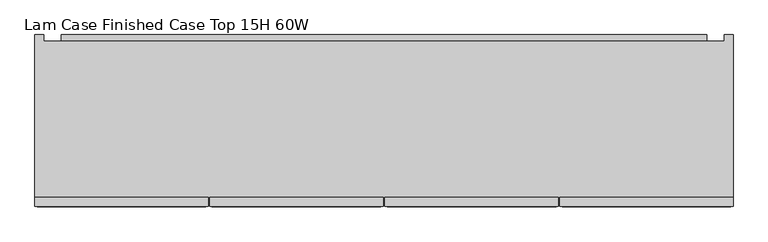
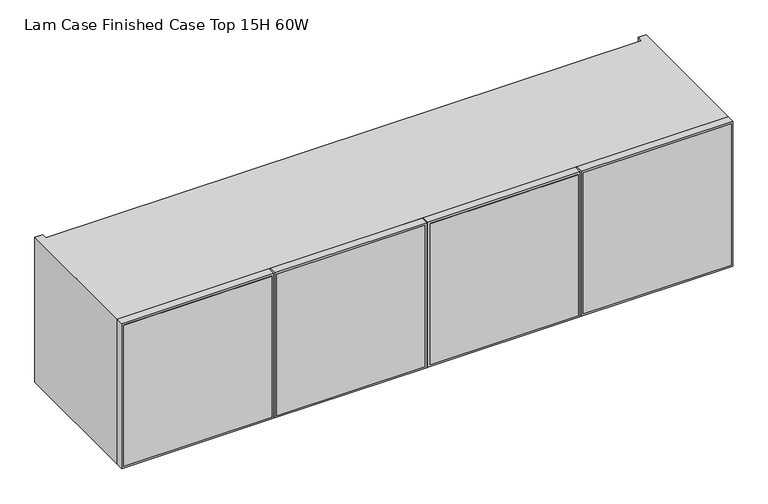
"""IFC4 building model written with IfcOpenShell, lengths in millimetres: furniture geometry, Lam Case Finished Case Top 15H 60W."""

import ifcopenshell
import ifcopenshell.guid

model = None  # the IFC model being written
_history = None  # IfcOwnerHistory: only IFC2X3 demands one
_inside = {}  # id of a spatial element -> (the spatial element, [elements in it])
_under = {}  # id of a project, library or spatial element -> (it, [spatial elements below it])
_declared = {}  # id of a project -> (the project, [libraries it declares])
_typed = {}  # id of a type object -> (the type object, [elements of that type])
_made_of = {}  # id of a material, layer set ... -> (it, [elements and type objects made of it])


def new_model(schema):
    """Start an empty IFC model of exactly this schema.

    Asked for "IFC4X3", IfcOpenShell would pick the latest addendum, in which some entities
    have other attributes; the version numbers below select the first issue.
    IFC2X3 requires an IfcOwnerHistory on every rooted entity: one is made here for all.
    """
    global model, _history
    if schema == "IFC4X3":
        model = ifcopenshell.file(schema_version=(4, 3, 0, 0))
    else:
        model = ifcopenshell.file(schema=schema)
    _inside.clear()
    _under.clear()
    _declared.clear()
    _typed.clear()
    _made_of.clear()
    _history = None
    if model.schema == "IFC2X3":
        org = make("IfcOrganization", Name="unknown")
        user = make(
            "IfcPersonAndOrganization",
            ThePerson=make("IfcPerson", FamilyName="unknown"),
            TheOrganization=org,
        )
        app = make(
            "IfcApplication",
            ApplicationDeveloper=org,
            Version="unknown",
            ApplicationFullName="unknown",
            ApplicationIdentifier="unknown",
        )
        _history = make(
            "IfcOwnerHistory",
            OwningUser=user,
            OwningApplication=app,
            ChangeAction="ADDED",
            CreationDate=0,
        )
    return model


def make(cls, **values):
    """One entity of the class cls with the attributes given. An attribute that is None is left unset."""
    return model.create_entity(
        cls, **{name: value for name, value in values.items() if value is not None}
    )


def rooted(cls, **values):
    """An entity with a GlobalId (a new one), such as an element, a storey or a relation."""
    return make(cls, GlobalId=ifcopenshell.guid.new(), OwnerHistory=_history, **values)


def si_unit(unit_type, name, prefix=None):
    """IfcSIUnit, for example si_unit("LENGTHUNIT", "METRE", prefix="MILLI")."""
    return make("IfcSIUnit", UnitType=unit_type, Prefix=prefix, Name=name)


def assignment(units):
    """IfcUnitAssignment: the units of a project."""
    return None if units is None else make("IfcUnitAssignment", Units=units)


def point(xyz):
    """IfcCartesianPoint."""
    return None if xyz is None else make("IfcCartesianPoint", Coordinates=xyz)


def direction(xyz):
    """IfcDirection."""
    return None if xyz is None else make("IfcDirection", DirectionRatios=xyz)


def frame(location, z_axis=None, x_axis=None):
    """IfcAxis2Placement3D, a coordinate frame: its origin and axes. An axis left out is left unset."""
    return make(
        "IfcAxis2Placement3D",
        Location=point(location),
        Axis=direction(z_axis),
        RefDirection=direction(x_axis),
    )


def origin():
    """The frame at (0, 0, 0) with its axes left unset."""
    return frame((0.0, 0.0, 0.0))


def place(relative_to, where):
    """IfcLocalPlacement: puts the frame where relative to a parent placement (None: the world)."""
    return make(
        "IfcLocalPlacement", PlacementRelTo=relative_to, RelativePlacement=where
    )


def context(
    kind, dimensions, precision=None, world=None, true_north=None, identifier=None
):
    """IfcGeometricRepresentationContext, for example the 3D "Model" context."""
    return make(
        "IfcGeometricRepresentationContext",
        ContextIdentifier=identifier,
        ContextType=kind,
        CoordinateSpaceDimension=dimensions,
        Precision=precision,
        WorldCoordinateSystem=world,
        TrueNorth=true_north,
    )


def project(units=None, contexts=None):
    """IfcProject with its units and contexts."""
    return rooted(
        "IfcProject",
        Name="project",
        RepresentationContexts=contexts,
        UnitsInContext=assignment(units),
    )


def spatial(cls, under=None, at=None, **own):
    """A site, building, storey or space (cls), placed at a placement, below another one or the project."""
    s = rooted(cls, ObjectPlacement=at, **own)
    if under is not None:
        _under.setdefault(under.id(), (under, []))[1].append(s)
    return s


def polyline(points):
    """IfcPolyline through the points."""
    return make("IfcPolyline", Points=[point(p) for p in points])


def outline(outer, holes=None, kind="AREA"):
    """IfcArbitraryClosedProfileDef: a profile drawn as a closed curve; with holes, ...WithVoids."""
    if holes is None:
        return make("IfcArbitraryClosedProfileDef", ProfileType=kind, OuterCurve=outer)
    return make(
        "IfcArbitraryProfileDefWithVoids",
        ProfileType=kind,
        OuterCurve=outer,
        InnerCurves=holes,
    )


def extrude(swept, where, along, depth):
    """IfcExtrudedAreaSolid: the profile swept, set in the frame where, extruded along a direction by depth."""
    return make(
        "IfcExtrudedAreaSolid",
        SweptArea=swept,
        Position=where,
        ExtrudedDirection=direction(along),
        Depth=depth,
    )


def faces_of(points, faces, orient=None, outer=None):
    """IfcFace entities. A face is a list of loops; a loop is a list of indices into points, from 0.

    orient and outer hold one flag for each loop. By default every Orientation is true, the
    first loop of a face is its IfcFaceOuterBound and the others are IfcFaceBound.
    """
    made = []
    for i, loops in enumerate(faces):
        bounds = []
        for j, loop in enumerate(loops):
            is_outer = j == 0 if outer is None else outer[i][j]
            bounds.append(
                make(
                    "IfcFaceOuterBound" if is_outer else "IfcFaceBound",
                    Bound=make("IfcPolyLoop", Polygon=[points[k] for k in loop]),
                    Orientation=True if orient is None else orient[i][j],
                )
            )
        made.append(make("IfcFace", Bounds=bounds))
    return made


def faceted_brep(points, faces, orient=None, outer=None, voids=None):
    """IfcFacetedBrep: a solid bounded by flat faces; with voids (closed shells), ...WithVoids."""
    shared = [point(p) for p in points]
    hull = make("IfcClosedShell", CfsFaces=faces_of(shared, faces, orient, outer))
    if voids is None:
        return make("IfcFacetedBrep", Outer=hull)
    return make(
        "IfcFacetedBrepWithVoids",
        Outer=hull,
        Voids=[
            make(cls, CfsFaces=faces_of(shared, fs, o, b)) for cls, fs, o, b in voids
        ],
    )


def shape(context_of_items, identifier, shape_type, items):
    """IfcShapeRepresentation: the items that make up one representation, for example the "Body"."""
    return make(
        "IfcShapeRepresentation",
        ContextOfItems=context_of_items,
        RepresentationIdentifier=identifier,
        RepresentationType=shape_type,
        Items=items,
    )


def source(mapping_origin, context_of_items, identifier, shape_type, items):
    """IfcRepresentationMap: a shape defined once, which mapped items show again and again."""
    return make(
        "IfcRepresentationMap",
        MappingOrigin=mapping_origin,
        MappedRepresentation=shape(context_of_items, identifier, shape_type, items),
    )


def transform(
    local_origin,
    x_axis=None,
    y_axis=None,
    z_axis=None,
    scale=None,
    scale2=None,
    scale3=None,
    uniform=True,
):
    """IfcCartesianTransformationOperator3D, or its non-uniform kind. x_axis, y_axis, z_axis: its Axis1, 2, 3."""
    if uniform:
        return make(
            "IfcCartesianTransformationOperator3D",
            Axis1=direction(x_axis),
            Axis2=direction(y_axis),
            LocalOrigin=point(local_origin),
            Scale=scale,
            Axis3=direction(z_axis),
        )
    return make(
        "IfcCartesianTransformationOperator3DnonUniform",
        Axis1=direction(x_axis),
        Axis2=direction(y_axis),
        LocalOrigin=point(local_origin),
        Scale=scale,
        Axis3=direction(z_axis),
        Scale2=scale2,
        Scale3=scale3,
    )


def mapped(mapping_source, mapping_target):
    """IfcMappedItem: shows the shape of a source again, moved by a transform."""
    return make(
        "IfcMappedItem", MappingSource=mapping_source, MappingTarget=mapping_target
    )


def made_of(thing, what):
    """Note that an element or type object is made of a material, layer set ...; save() writes the relation."""
    if what is not None:
        _made_of.setdefault(what.id(), (what, []))[1].append(thing)
    return thing


def element(
    cls,
    number,
    at=None,
    inside=None,
    cuts=None,
    type_object=None,
    material=None,
    context=None,
    identifier="Body",
    shape_type=None,
    held_by="IfcProductDefinitionShape",
    body=None,
    shapes=None,
    **own,
):
    """One element of the class cls, such as IfcWall. Its Tag is "e" and its number.

    at: its placement. inside: the storey or other place that contains it. cuts: it is an
    opening in that element (IfcRelVoidsElement). A single representation is given by context,
    identifier, shape_type and body (its items); several are given by shapes. held_by: the class
    of the entity that holds the representations. save() writes the other relations.
    """
    e = rooted(cls, Tag="e%d" % number, ObjectPlacement=at, **own)
    if body is not None:
        shapes = [shape(context, identifier, shape_type, body)]
    if shapes is not None:
        e.Representation = make(held_by, Representations=shapes)
    if inside is not None:
        _inside.setdefault(inside.id(), (inside, []))[1].append(e)
    if cuts is not None:
        rooted(
            "IfcRelVoidsElement", RelatingBuildingElement=cuts, RelatedOpeningElement=e
        )
    if type_object is not None:
        _typed.setdefault(type_object.id(), (type_object, []))[1].append(e)
    return made_of(e, material)


def aggregate(whole, parts):
    """IfcRelAggregates: a whole, such as a stair, and the parts it consists of."""
    return rooted("IfcRelAggregates", RelatingObject=whole, RelatedObjects=parts)


def save(model, path):
    """Write the relations noted so far, then the file.

    IfcRelAggregates (storeys below a building ...), IfcRelContainedInSpatialStructure (elements
    in a storey), IfcRelDefinesByType, IfcRelAssociatesMaterial and IfcRelDeclares: one each for
    every whole, place, type object, material and project.
    """
    for whole, parts in _under.values():
        aggregate(whole, parts)
    for where, things in _inside.values():
        rooted(
            "IfcRelContainedInSpatialStructure",
            RelatedElements=things,
            RelatingStructure=where,
        )
    for kind, things in _typed.values():
        rooted("IfcRelDefinesByType", RelatedObjects=things, RelatingType=kind)
    for what, things in _made_of.values():
        rooted("IfcRelAssociatesMaterial", RelatedObjects=things, RelatingMaterial=what)
    for by, libraries in _declared.values():
        rooted("IfcRelDeclares", RelatingContext=by, RelatedDefinitions=libraries)
    model.write(path)


def lam_case_finished_case_top_15h_60w_5e836576(model_context):
    return source(origin(), model_context, "Body", "SolidModel", [
        extrude(outline(polyline([(1322.3875, 303.8475), (1322.3875, 681.6725), (1703.3875, 681.6725), (1703.3875, 303.8475), (1322.3875, 303.8475)]), holes=[polyline([(1672.3995, 334.8355), (1672.3995, 650.6845), (1353.3755, 650.6845), (1353.3755, 334.8355), (1672.3995, 334.8355)])]), frame((0.0, -214.8113724, 0.0), z_axis=(0.0, 1.0, 0.0), x_axis=(0.0, 0.0, 1.0)), (0.0, 0.0, 1.0), 19.304),
        extrude(outline(polyline([(1703.3875, 684.8475), (1322.3875, 684.8475), (1322.3875, 1061.72), (1703.3875, 1061.72), (1703.3875, 684.8475)]), holes=[polyline([(1672.3995, 1030.732), (1353.3755, 1030.732), (1353.3755, 715.8355), (1672.3995, 715.8355), (1672.3995, 1030.732)])]), frame((0.0, -214.8113724, 0.0), z_axis=(0.0, 1.0, 0.0), x_axis=(0.0, 0.0, 1.0)), (0.0, 0.0, 1.0), 19.304),
        extrude(outline(polyline([(1703.3875, 300.6725), (1703.3875, -77.1525), (1322.3875, -77.1525), (1322.3875, 300.6725), (1703.3875, 300.6725)]), holes=[polyline([(1353.3755, 269.6845), (1353.3755, -46.1645), (1672.3995, -46.1645), (1672.3995, 269.6845), (1353.3755, 269.6845)])]), frame((0.0, -214.8113724, 0.0), z_axis=(0.0, 1.0, 0.0), x_axis=(0.0, 0.0, 1.0)), (0.0, 0.0, 1.0), 19.304),
        extrude(outline(polyline([(1703.3875, -457.2), (1322.3875, -457.2), (1322.3875, -80.3275), (1703.3875, -80.3275), (1703.3875, -457.2)]), holes=[polyline([(1672.3995, -111.3155), (1353.3755, -111.3155), (1353.3755, -426.212), (1672.3995, -426.212), (1672.3995, -111.3155)])]), frame((0.0, -214.8113724, 0.0), z_axis=(0.0, 1.0, 0.0), x_axis=(0.0, 0.0, 1.0)), (0.0, 0.0, 1.0), 19.304),
        extrude(outline(polyline([(158.8226276, 1601.5335), (145.5282676, 1622.21164), (145.5282676, 1684.0835), (158.8226276, 1684.0835), (158.8226276, 1601.5335)])), frame((-399.796, 0.0, 0.0), z_axis=(1.0, 0.0, 0.0), x_axis=(0.0, 1.0, 0.0)), (0.0, 0.0, 1.0), 1404.112),
        extrude(outline(polyline([(145.5282676, 1613.2175), (158.8226276, 1592.53936), (158.8226276, 1530.6675), (145.5282676, 1530.6675), (145.5282676, 1613.2175)])), frame((-399.796, 0.0, 0.0), z_axis=(1.0, 0.0, 0.0), x_axis=(0.0, 1.0, 0.0)), (0.0, 0.0, 1.0), 1404.112),
        extrude(outline(polyline([(676.5925, -215.8273724), (308.9275, -215.8273724), (308.9275, -203.1273724), (676.5925, -203.1273724), (676.5925, -215.8273724)])), frame((0.0, 0.0, 1327.4675), z_axis=(0.0, 0.0, 1.0), x_axis=(1.0, 0.0, 0.0)), (0.0, 0.0, 1.0), 370.84),
        extrude(outline(polyline([(295.5925, -215.8273724), (-72.0725, -215.8273724), (-72.0725, -203.1273724), (295.5925, -203.1273724), (295.5925, -215.8273724)])), frame((0.0, 0.0, 1327.4675), z_axis=(0.0, 0.0, 1.0), x_axis=(1.0, 0.0, 0.0)), (0.0, 0.0, 1.0), 370.84),
        extrude(outline(polyline([(-85.4075, -215.8273724), (-452.12, -215.8273724), (-452.12, -203.1273724), (-85.4075, -203.1273724), (-85.4075, -215.8273724)])), frame((0.0, 0.0, 1327.4675), z_axis=(0.0, 0.0, 1.0), x_axis=(1.0, 0.0, 0.0)), (0.0, 0.0, 1.0), 370.84),
        extrude(outline(polyline([(1056.64, -215.8273724), (689.9275, -215.8273724), (689.9275, -203.1273724), (1056.64, -203.1273724), (1056.64, -215.8273724)])), frame((0.0, 0.0, 1327.4675), z_axis=(0.0, 0.0, 1.0), x_axis=(1.0, 0.0, 0.0)), (0.0, 0.0, 1.0), 370.84),
        extrude(outline(polyline([(1042.416, 145.5282676), (1042.416, 126.2242676), (-437.896, 126.2242676), (-437.896, 145.5282676), (1042.416, 145.5282676)])), frame((0.0, 0.0, 1341.6915), z_axis=(0.0, 0.0, 1.0), x_axis=(1.0, 0.0, 0.0)), (0.0, 0.0, 1.0), 342.392),
        faceted_brep([(-457.2, -195.5073724, 1703.3875), (-457.2, -195.5073724, 1322.3875), (1061.72, -195.5073724, 1322.3875), (1061.72, -195.5073724, 1703.3875), (-437.896, -195.5073724, 1684.0835), (1042.416, -195.5073724, 1684.0835), (1042.416, -195.5073724, 1341.6915), (-437.896, -195.5073724, 1341.6915), (1042.416, 145.5282676, 1684.0835), (-437.896, 145.5282676, 1684.0835), (-437.896, 145.5282676, 1703.3875), (1042.416, 145.5282676, 1703.3875), (1042.416, 145.5282676, 1322.3875), (-437.896, 145.5282676, 1322.3875), (-437.896, 145.5282676, 1341.6915), (1042.416, 145.5282676, 1341.6915), (1061.72, 158.8226276, 1703.3875), (1042.416, 158.8226276, 1703.3875), (-437.896, 158.8226276, 1703.3875), (-457.2, 158.8226276, 1703.3875), (-457.2, 158.8226276, 1322.3875), (-437.896, 158.8226276, 1322.3875), (1042.416, 158.8226276, 1322.3875), (1061.72, 158.8226276, 1322.3875)], [[[0, 1, 2, 3], [4, 5, 6, 7]], [[8, 9, 10, 11]], [[12, 13, 14, 15]], [[0, 3, 16, 17, 11, 10, 18, 19]], [[5, 4, 9, 8]], [[7, 6, 15, 14]], [[2, 1, 20, 21, 13, 12, 22, 23]], [[19, 18, 21, 20]], [[0, 19, 20, 1]], [[21, 18, 10, 9, 4, 7, 14, 13]], [[17, 22, 12, 15, 6, 5, 8, 11]], [[16, 3, 2, 23]], [[17, 16, 23, 22]]]),
    ])


if __name__ == "__main__":
    model = new_model("IFC4")
    model_context = context("Model", 3, world=origin())
    ifc_project = project(units=[si_unit("LENGTHUNIT", "METRE", prefix="MILLI")], contexts=[model_context])
    site = spatial("IfcSite", under=ifc_project)
    building = spatial("IfcBuilding", under=site)
    placement = place(None, origin())
    lam_case_finished_case_top_15h_60w_shape = lam_case_finished_case_top_15h_60w_5e836576(model_context)
    element("IfcFurniture", 1, ObjectType="Lam Case Finished Case Top 15H 60W", at=placement, inside=building, context=model_context, shape_type="MappedRepresentation", body=[
        mapped(lam_case_finished_case_top_15h_60w_shape, transform((0.0, 0.0, 0.0), x_axis=(1.0, 0.0, 0.0), y_axis=(0.0, 1.0, 0.0), z_axis=(0.0, 0.0, 1.0))),
    ])
    save(model, "model.ifc")
